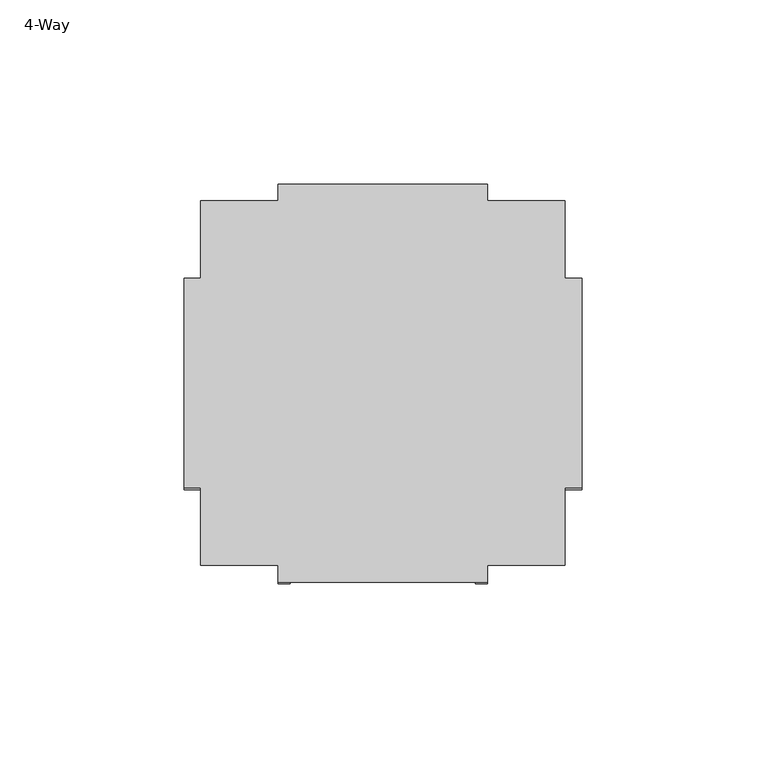
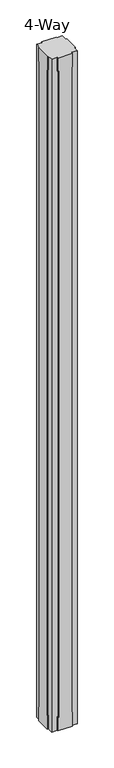
"""IFC4 building model written with IfcOpenShell, lengths in millimetres: furniture geometry, 4-Way."""

from ifc_helpers import new_model, si_unit, origin, place, context, project, spatial, faceted_brep, source, transform, mapped, element, save


def furniture_4_way_b1fa708e(model_context):
    return source(origin(), model_context, "Body", "Brep", [
        faceted_brep([(82.423, -1470.025, 2743.2), (25.527, -1470.025, 2743.2), (25.527, -1474.5208, 2743.2), (4.4958, -1474.5208, 2743.2), (4.4958, -1495.552, 2743.2), (0.0, -1495.552, 2743.2), (0.0, -1552.448, 2743.2), (4.4958, -1552.448, 2743.2), (4.4958, -1573.4792, 2743.2), (25.527, -1573.4792, 2743.2), (25.527, -1577.975, 2743.2), (82.423, -1577.975, 2743.2), (82.423, -1573.4792, 2743.2), (103.4542, -1573.4792, 2743.2), (103.4542, -1552.448, 2743.2), (107.95, -1552.448, 2743.2), (107.95, -1495.552, 2743.2), (103.4542, -1495.552, 2743.2), (103.4542, -1474.5208, 2743.2), (82.423, -1474.5208, 2743.2), (25.527, -1470.025, 0.0), (82.423, -1470.025, 0.0), (82.423, -1474.5208, 0.0), (103.4542, -1474.5208, 0.0), (103.4542, -1495.552, 0.0), (107.95, -1495.552, 0.0), (107.95, -1552.448, 0.0), (103.4542, -1552.448, 0.0), (103.4542, -1573.4792, 0.0), (82.423, -1573.4792, 0.0), (82.423, -1577.975, 0.0), (25.527, -1577.975, 0.0), (25.527, -1573.4792, 0.0), (4.4958, -1573.4792, 0.0), (4.4958, -1552.448, 0.0), (0.0, -1552.448, 0.0), (0.0, -1495.552, 0.0), (4.4958, -1495.552, 0.0), (4.4958, -1474.5208, 0.0), (25.527, -1474.5208, 0.0), (82.423, -1474.5208, 55.118), (79.121, -1474.5208, 55.118), (79.121, -1474.5208, 2688.082), (82.423, -1474.5208, 2688.082), (25.527, -1474.5208, 2688.082), (28.829, -1474.5208, 2688.082), (28.829, -1474.5208, 55.118), (25.527, -1474.5208, 55.118), (4.4958, -1495.552, 55.118), (4.4958, -1498.854, 55.118), (4.4958, -1498.854, 2688.082), (4.4958, -1495.552, 2688.082), (4.4958, -1552.448, 2688.082), (4.4958, -1549.146, 2688.082), (4.4958, -1549.146, 55.118), (4.4958, -1552.448, 55.118), (25.527, -1573.4792, 55.118), (28.829, -1573.4792, 55.118), (28.829, -1573.4792, 2688.082), (25.527, -1573.4792, 2688.082), (82.423, -1573.4792, 2688.082), (79.121, -1573.4792, 2688.082), (79.121, -1573.4792, 55.118), (82.423, -1573.4792, 55.118), (103.4542, -1495.552, 2688.082), (103.4542, -1498.854, 2688.082), (103.4542, -1498.854, 55.118), (103.4542, -1495.552, 55.118), (103.4542, -1552.448, 55.118), (103.4542, -1549.146, 55.118), (103.4542, -1549.146, 2688.082), (103.4542, -1552.448, 2688.082), (79.121, -1470.025, 55.118), (82.423, -1470.025, 55.118), (25.527, -1470.025, 55.118), (28.829, -1470.025, 55.118), (28.829, -1470.025, 2688.082), (25.527, -1470.025, 2688.082), (82.423, -1470.025, 2688.082), (79.121, -1470.025, 2688.082), (79.121, -1577.975, 55.118), (79.121, -1577.975, 2688.082), (82.423, -1577.975, 2688.082), (25.527, -1577.975, 2688.082), (28.829, -1577.975, 2688.082), (28.829, -1577.975, 55.118), (25.527, -1577.975, 55.118), (82.423, -1577.975, 55.118), (107.95, -1498.854, 55.118), (107.95, -1498.854, 2688.082), (107.95, -1495.552, 2688.082), (107.95, -1552.448, 2688.082), (107.95, -1549.146, 2688.082), (107.95, -1549.146, 55.118), (107.95, -1552.448, 55.118), (107.95, -1495.552, 55.118), (0.0, -1498.854, 55.118), (0.0, -1495.552, 55.118), (0.0, -1552.448, 55.118), (0.0, -1549.146, 55.118), (0.0, -1549.146, 2688.082), (0.0, -1552.448, 2688.082), (0.0, -1495.552, 2688.082), (0.0, -1498.854, 2688.082)], [[[0, 1, 2, 3, 4, 5, 6, 7, 8, 9, 10, 11, 12, 13, 14, 15, 16, 17, 18, 19]], [[20, 21, 22, 23, 24, 25, 26, 27, 28, 29, 30, 31, 32, 33, 34, 35, 36, 37, 38, 39]], [[18, 23, 22, 40, 41, 42, 43, 19]], [[38, 3, 2, 44, 45, 46, 47, 39]], [[3, 38, 37, 48, 49, 50, 51, 4]], [[33, 8, 7, 52, 53, 54, 55, 34]], [[8, 33, 32, 56, 57, 58, 59, 9]], [[28, 13, 12, 60, 61, 62, 63, 29]], [[23, 18, 17, 64, 65, 66, 67, 24]], [[13, 28, 27, 68, 69, 70, 71, 14]], [[72, 73, 21, 20, 74, 75, 76, 77, 1, 0, 78, 79]], [[80, 81, 82, 11, 10, 83, 84, 85, 86, 31, 30, 87]], [[72, 79, 42, 41]], [[81, 80, 62, 61]], [[79, 78, 43, 42]], [[82, 81, 61, 60]], [[78, 0, 19, 43]], [[11, 82, 60, 12]], [[1, 77, 44, 2]], [[83, 10, 9, 59]], [[77, 76, 45, 44]], [[84, 83, 59, 58]], [[76, 75, 46, 45]], [[85, 84, 58, 57]], [[75, 74, 47, 46]], [[86, 85, 57, 56]], [[74, 20, 39, 47]], [[31, 86, 56, 32]], [[21, 73, 40, 22]], [[87, 30, 29, 63]], [[73, 72, 41, 40]], [[80, 87, 63, 62]], [[88, 89, 90, 16, 15, 91, 92, 93, 94, 26, 25, 95]], [[96, 97, 36, 35, 98, 99, 100, 101, 6, 5, 102, 103]], [[89, 88, 66, 65]], [[96, 103, 50, 49]], [[90, 89, 65, 64]], [[103, 102, 51, 50]], [[16, 90, 64, 17]], [[102, 5, 4, 51]], [[91, 15, 14, 71]], [[6, 101, 52, 7]], [[92, 91, 71, 70]], [[101, 100, 53, 52]], [[93, 92, 70, 69]], [[100, 99, 54, 53]], [[94, 93, 69, 68]], [[99, 98, 55, 54]], [[26, 94, 68, 27]], [[98, 35, 34, 55]], [[95, 25, 24, 67]], [[36, 97, 48, 37]], [[88, 95, 67, 66]], [[97, 96, 49, 48]]]),
    ])


if __name__ == "__main__":
    model = new_model("IFC4")
    model_context = context("Model", 3, world=origin())
    ifc_project = project(units=[si_unit("LENGTHUNIT", "METRE", prefix="MILLI")], contexts=[model_context])
    site = spatial("IfcSite", under=ifc_project)
    building = spatial("IfcBuilding", under=site)
    placement = place(None, origin())
    furniture_4_way_shape = furniture_4_way_b1fa708e(model_context)
    element("IfcFurniture", 1, ObjectType="4-Way", at=placement, inside=building, context=model_context, shape_type="MappedRepresentation", body=[
        mapped(furniture_4_way_shape, transform((0.0, 0.0, 0.0), x_axis=(1.0, 0.0, 0.0), y_axis=(0.0, 1.0, 0.0), z_axis=(0.0, 0.0, 1.0))),
    ])
    save(model, "model.ifc")
